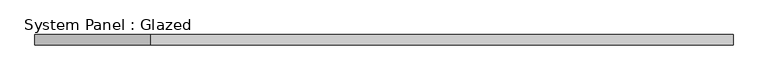
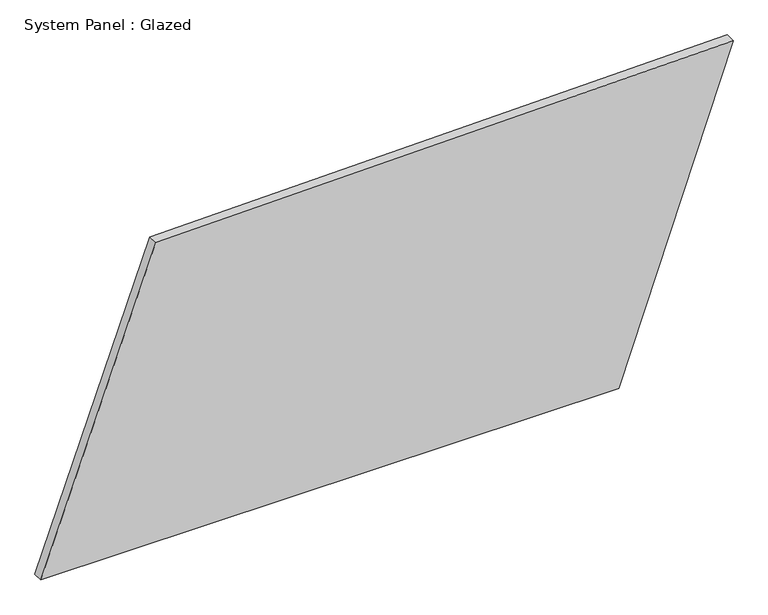
"""IFC4 building model written with IfcOpenShell, lengths in millimetres: plate geometry, System Panel : Glazed."""

from ifc_helpers import new_model, si_unit, frame, origin, place, context, project, spatial, polyline, outline, extrude, source, transform, mapped, element, save


def system_panel_glazed_5b33fc68(model_context):
    return source(origin(), model_context, "Body", "SweptSolid", [
        extrude(outline(polyline([(0.0, -861.2251514), (0.0, 576.909998), (816.5411253, 861.2251514), (787.4788495, -574.9409088), (0.0, -861.2251514)])), frame((0.0, -49.5, 0.0), z_axis=(0.0, 1.0, 0.0), x_axis=(0.0, 0.0, 1.0)), (0.0, 0.0, 1.0), 25.0),
    ])


if __name__ == "__main__":
    model = new_model("IFC4")
    model_context = context("Model", 3, world=origin())
    ifc_project = project(units=[si_unit("LENGTHUNIT", "METRE", prefix="MILLI")], contexts=[model_context])
    site = spatial("IfcSite", under=ifc_project)
    building = spatial("IfcBuilding", under=site)
    placement = place(None, origin())
    system_panel_glazed_shape = system_panel_glazed_5b33fc68(model_context)
    element("IfcPlate", 1, ObjectType="System Panel : Glazed", at=placement, inside=building, context=model_context, shape_type="MappedRepresentation", body=[
        mapped(system_panel_glazed_shape, transform((0.0, 0.0, 0.0), x_axis=(1.0, 0.0, 0.0), y_axis=(0.0, 1.0, 0.0), z_axis=(0.0, 0.0, 1.0))),
    ])
    save(model, "model.ifc")
